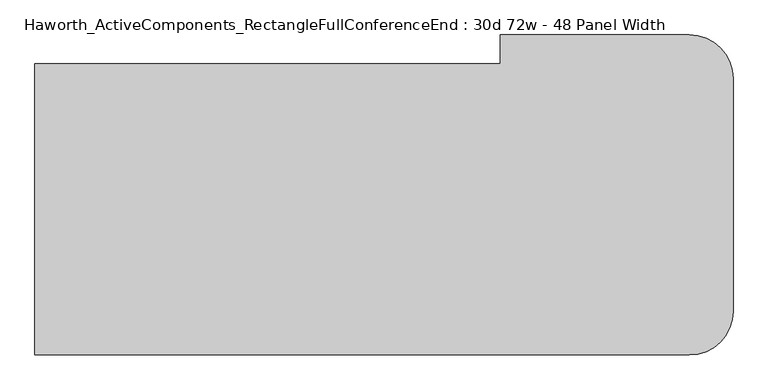
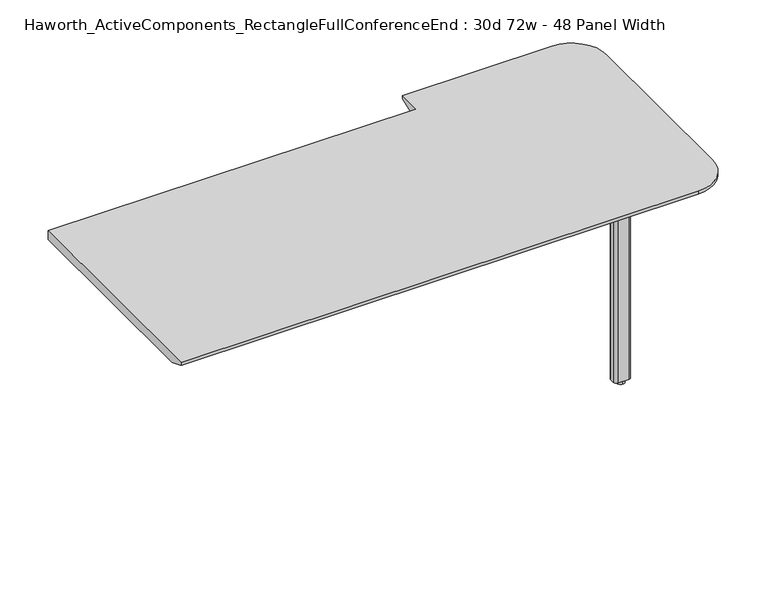
"""IFC4 building model written with IfcOpenShell, lengths in millimetres: furniture geometry, Haworth_ActiveComponents_RectangleFullConferenceEnd : 30d 72w - 48 Panel Width."""

import ifcopenshell
import ifcopenshell.guid

model = None  # the IFC model being written
_history = None  # IfcOwnerHistory: only IFC2X3 demands one
_inside = {}  # id of a spatial element -> (the spatial element, [elements in it])
_under = {}  # id of a project, library or spatial element -> (it, [spatial elements below it])
_declared = {}  # id of a project -> (the project, [libraries it declares])
_typed = {}  # id of a type object -> (the type object, [elements of that type])
_made_of = {}  # id of a material, layer set ... -> (it, [elements and type objects made of it])


def new_model(schema):
    """Start an empty IFC model of exactly this schema.

    Asked for "IFC4X3", IfcOpenShell would pick the latest addendum, in which some entities
    have other attributes; the version numbers below select the first issue.
    IFC2X3 requires an IfcOwnerHistory on every rooted entity: one is made here for all.
    """
    global model, _history
    if schema == "IFC4X3":
        model = ifcopenshell.file(schema_version=(4, 3, 0, 0))
    else:
        model = ifcopenshell.file(schema=schema)
    _inside.clear()
    _under.clear()
    _declared.clear()
    _typed.clear()
    _made_of.clear()
    _history = None
    if model.schema == "IFC2X3":
        org = make("IfcOrganization", Name="unknown")
        user = make(
            "IfcPersonAndOrganization",
            ThePerson=make("IfcPerson", FamilyName="unknown"),
            TheOrganization=org,
        )
        app = make(
            "IfcApplication",
            ApplicationDeveloper=org,
            Version="unknown",
            ApplicationFullName="unknown",
            ApplicationIdentifier="unknown",
        )
        _history = make(
            "IfcOwnerHistory",
            OwningUser=user,
            OwningApplication=app,
            ChangeAction="ADDED",
            CreationDate=0,
        )
    return model


def make(cls, **values):
    """One entity of the class cls with the attributes given. An attribute that is None is left unset."""
    return model.create_entity(
        cls, **{name: value for name, value in values.items() if value is not None}
    )


def rooted(cls, **values):
    """An entity with a GlobalId (a new one), such as an element, a storey or a relation."""
    return make(cls, GlobalId=ifcopenshell.guid.new(), OwnerHistory=_history, **values)


def si_unit(unit_type, name, prefix=None):
    """IfcSIUnit, for example si_unit("LENGTHUNIT", "METRE", prefix="MILLI")."""
    return make("IfcSIUnit", UnitType=unit_type, Prefix=prefix, Name=name)


def assignment(units):
    """IfcUnitAssignment: the units of a project."""
    return None if units is None else make("IfcUnitAssignment", Units=units)


def point(xyz):
    """IfcCartesianPoint."""
    return None if xyz is None else make("IfcCartesianPoint", Coordinates=xyz)


def direction(xyz):
    """IfcDirection."""
    return None if xyz is None else make("IfcDirection", DirectionRatios=xyz)


def frame(location, z_axis=None, x_axis=None):
    """IfcAxis2Placement3D, a coordinate frame: its origin and axes. An axis left out is left unset."""
    return make(
        "IfcAxis2Placement3D",
        Location=point(location),
        Axis=direction(z_axis),
        RefDirection=direction(x_axis),
    )


def frame_2d(location, x_axis=None):
    """IfcAxis2Placement2D, a coordinate frame in the plane: its origin and x axis."""
    return make(
        "IfcAxis2Placement2D", Location=point(location), RefDirection=direction(x_axis)
    )


def origin():
    """The frame at (0, 0, 0) with its axes left unset."""
    return frame((0.0, 0.0, 0.0))


def origin_with_axes():
    """The frame at (0, 0, 0) with the z axis (0, 0, 1) and the x axis (1, 0, 0) written out."""
    return frame((0.0, 0.0, 0.0), z_axis=(0.0, 0.0, 1.0), x_axis=(1.0, 0.0, 0.0))


def place(relative_to, where):
    """IfcLocalPlacement: puts the frame where relative to a parent placement (None: the world)."""
    return make(
        "IfcLocalPlacement", PlacementRelTo=relative_to, RelativePlacement=where
    )


def context(
    kind, dimensions, precision=None, world=None, true_north=None, identifier=None
):
    """IfcGeometricRepresentationContext, for example the 3D "Model" context."""
    return make(
        "IfcGeometricRepresentationContext",
        ContextIdentifier=identifier,
        ContextType=kind,
        CoordinateSpaceDimension=dimensions,
        Precision=precision,
        WorldCoordinateSystem=world,
        TrueNorth=true_north,
    )


def project(units=None, contexts=None):
    """IfcProject with its units and contexts."""
    return rooted(
        "IfcProject",
        Name="project",
        RepresentationContexts=contexts,
        UnitsInContext=assignment(units),
    )


def spatial(cls, under=None, at=None, **own):
    """A site, building, storey or space (cls), placed at a placement, below another one or the project."""
    s = rooted(cls, ObjectPlacement=at, **own)
    if under is not None:
        _under.setdefault(under.id(), (under, []))[1].append(s)
    return s


def polyline(points):
    """IfcPolyline through the points."""
    return make("IfcPolyline", Points=[point(p) for p in points])


def circle_curve(where, radius):
    """IfcCircle in the frame where."""
    return make("IfcCircle", Position=where, Radius=radius)


def trimmed(basis, trim1, trim2, sense, master):
    """IfcTrimmedCurve: the piece of a basis curve between two trims."""
    return make(
        "IfcTrimmedCurve",
        BasisCurve=basis,
        Trim1=trim1,
        Trim2=trim2,
        SenseAgreement=sense,
        MasterRepresentation=master,
    )


def segment(curve, same_sense, transition):
    """IfcCompositeCurveSegment."""
    return make(
        "IfcCompositeCurveSegment",
        Transition=transition,
        SameSense=same_sense,
        ParentCurve=curve,
    )


def composite_curve(segments, self_intersect=None):
    """IfcCompositeCurve: segments joined end to end."""
    return make("IfcCompositeCurve", Segments=segments, SelfIntersect=self_intersect)


def outline(outer, holes=None, kind="AREA"):
    """IfcArbitraryClosedProfileDef: a profile drawn as a closed curve; with holes, ...WithVoids."""
    if holes is None:
        return make("IfcArbitraryClosedProfileDef", ProfileType=kind, OuterCurve=outer)
    return make(
        "IfcArbitraryProfileDefWithVoids",
        ProfileType=kind,
        OuterCurve=outer,
        InnerCurves=holes,
    )


def extrude(swept, where, along, depth):
    """IfcExtrudedAreaSolid: the profile swept, set in the frame where, extruded along a direction by depth."""
    return make(
        "IfcExtrudedAreaSolid",
        SweptArea=swept,
        Position=where,
        ExtrudedDirection=direction(along),
        Depth=depth,
    )


def shape(context_of_items, identifier, shape_type, items):
    """IfcShapeRepresentation: the items that make up one representation, for example the "Body"."""
    return make(
        "IfcShapeRepresentation",
        ContextOfItems=context_of_items,
        RepresentationIdentifier=identifier,
        RepresentationType=shape_type,
        Items=items,
    )


def source(mapping_origin, context_of_items, identifier, shape_type, items):
    """IfcRepresentationMap: a shape defined once, which mapped items show again and again."""
    return make(
        "IfcRepresentationMap",
        MappingOrigin=mapping_origin,
        MappedRepresentation=shape(context_of_items, identifier, shape_type, items),
    )


def transform(
    local_origin,
    x_axis=None,
    y_axis=None,
    z_axis=None,
    scale=None,
    scale2=None,
    scale3=None,
    uniform=True,
):
    """IfcCartesianTransformationOperator3D, or its non-uniform kind. x_axis, y_axis, z_axis: its Axis1, 2, 3."""
    if uniform:
        return make(
            "IfcCartesianTransformationOperator3D",
            Axis1=direction(x_axis),
            Axis2=direction(y_axis),
            LocalOrigin=point(local_origin),
            Scale=scale,
            Axis3=direction(z_axis),
        )
    return make(
        "IfcCartesianTransformationOperator3DnonUniform",
        Axis1=direction(x_axis),
        Axis2=direction(y_axis),
        LocalOrigin=point(local_origin),
        Scale=scale,
        Axis3=direction(z_axis),
        Scale2=scale2,
        Scale3=scale3,
    )


def mapped(mapping_source, mapping_target):
    """IfcMappedItem: shows the shape of a source again, moved by a transform."""
    return make(
        "IfcMappedItem", MappingSource=mapping_source, MappingTarget=mapping_target
    )


def made_of(thing, what):
    """Note that an element or type object is made of a material, layer set ...; save() writes the relation."""
    if what is not None:
        _made_of.setdefault(what.id(), (what, []))[1].append(thing)
    return thing


def element(
    cls,
    number,
    at=None,
    inside=None,
    cuts=None,
    type_object=None,
    material=None,
    context=None,
    identifier="Body",
    shape_type=None,
    held_by="IfcProductDefinitionShape",
    body=None,
    shapes=None,
    **own,
):
    """One element of the class cls, such as IfcWall. Its Tag is "e" and its number.

    at: its placement. inside: the storey or other place that contains it. cuts: it is an
    opening in that element (IfcRelVoidsElement). A single representation is given by context,
    identifier, shape_type and body (its items); several are given by shapes. held_by: the class
    of the entity that holds the representations. save() writes the other relations.
    """
    e = rooted(cls, Tag="e%d" % number, ObjectPlacement=at, **own)
    if body is not None:
        shapes = [shape(context, identifier, shape_type, body)]
    if shapes is not None:
        e.Representation = make(held_by, Representations=shapes)
    if inside is not None:
        _inside.setdefault(inside.id(), (inside, []))[1].append(e)
    if cuts is not None:
        rooted(
            "IfcRelVoidsElement", RelatingBuildingElement=cuts, RelatedOpeningElement=e
        )
    if type_object is not None:
        _typed.setdefault(type_object.id(), (type_object, []))[1].append(e)
    return made_of(e, material)


def aggregate(whole, parts):
    """IfcRelAggregates: a whole, such as a stair, and the parts it consists of."""
    return rooted("IfcRelAggregates", RelatingObject=whole, RelatedObjects=parts)


def save(model, path):
    """Write the relations noted so far, then the file.

    IfcRelAggregates (storeys below a building ...), IfcRelContainedInSpatialStructure (elements
    in a storey), IfcRelDefinesByType, IfcRelAssociatesMaterial and IfcRelDeclares: one each for
    every whole, place, type object, material and project.
    """
    for whole, parts in _under.values():
        aggregate(whole, parts)
    for where, things in _inside.values():
        rooted(
            "IfcRelContainedInSpatialStructure",
            RelatedElements=things,
            RelatingStructure=where,
        )
    for kind, things in _typed.values():
        rooted("IfcRelDefinesByType", RelatedObjects=things, RelatingType=kind)
    for what, things in _made_of.values():
        rooted("IfcRelAssociatesMaterial", RelatedObjects=things, RelatingMaterial=what)
    for by, libraries in _declared.values():
        rooted("IfcRelDeclares", RelatingContext=by, RelatedDefinitions=libraries)
    model.write(path)


def plane_surface(at):
    """IfcPlane: the flat surface through the origin of the frame at, square to its z axis."""
    return make("IfcPlane", Position=at)


def cylinder_surface(at, radius):
    """IfcCylindricalSurface: all points at the distance radius from the z axis of the frame at."""
    return make("IfcCylindricalSurface", Position=at, Radius=radius)


def revolved_surface(curve, axis_point, axis_direction):
    """IfcSurfaceOfRevolution: the curve turned about the line through axis_point along axis_direction."""
    return make(
        "IfcSurfaceOfRevolution",
        SweptCurve=make("IfcArbitraryOpenProfileDef", ProfileType="CURVE", Curve=curve),
        AxisPosition=make("IfcAxis1Placement", Location=point(axis_point), Axis=direction(axis_direction)),
    )


def advanced_brep(points, edges, surfaces, faces):
    """IfcAdvancedBrep: a solid bounded by faces that lie on surfaces and meet in shared edges.

    An edge is (start, end): straight between two places in points (the first is 0);
    or (start, end, curve); or (start, end, curve, False) where it runs against its curve.
    A face is (place in surfaces, loops), or (place, loops, False) where it looks against
    its surface's normal. A loop lists edges by number (the first is 1), with a minus sign
    where the edge is run from its end to its start. The first loop is the outer one.
    """
    corners = [point(p) for p in points]
    vertices = [make("IfcVertexPoint", VertexGeometry=c) for c in corners]
    made = []
    for start, end, *more in edges:
        made.append(
            make(
                "IfcEdgeCurve",
                EdgeStart=vertices[start],
                EdgeEnd=vertices[end],
                EdgeGeometry=more[0] if more else make("IfcPolyline", Points=[corners[start], corners[end]]),
                SameSense=more[1] if len(more) > 1 else True,
            )
        )
    hull = []
    for where, loops, *sense in faces:
        bounds = []
        for j, loop in enumerate(loops):
            ring = [make("IfcOrientedEdge", EdgeElement=made[abs(k) - 1], Orientation=k > 0) for k in loop]
            bounds.append(
                make(
                    "IfcFaceOuterBound" if j == 0 else "IfcFaceBound",
                    Bound=make("IfcEdgeLoop", EdgeList=ring),
                    Orientation=True,
                )
            )
        hull.append(make("IfcAdvancedFace", Bounds=bounds, FaceSurface=surfaces[where], SameSense=sense[0] if sense else True))
    return make("IfcAdvancedBrep", Outer=make("IfcClosedShell", CfsFaces=hull))


def haworth_activecomponents_rectanglefullconferenceend_30d_72w_6ec091af(model_context):
    return source(origin(), model_context, "Body", "SolidModel", [
        extrude(outline(composite_curve([segment(trimmed(circle_curve(frame_2d((1037.43125, -310.8784766)), 9.525), [point((1027.90625, -310.8784766))], [point((1037.43125, -301.3534766))], False, "CARTESIAN"), True, "CONTINUOUS"), segment(polyline([(1037.43125, -301.3534766), (1170.78125, -301.3534766)]), True, "CONTINUOUS"), segment(trimmed(circle_curve(frame_2d((1170.78125, -310.8784766)), 9.525), [point((1170.78125, -301.3534766))], [point((1180.30625, -310.8784766))], False, "CARTESIAN"), True, "CONTINUOUS"), segment(polyline([(1180.30625, -310.8784766), (1180.30625, -444.2284766)]), True, "CONTINUOUS"), segment(trimmed(circle_curve(frame_2d((1170.78125, -444.2284766)), 9.525), [point((1180.30625, -444.2284766))], [point((1170.78125, -453.7534766))], False, "CARTESIAN"), True, "CONTINUOUS"), segment(polyline([(1170.78125, -453.7534766), (1037.43125, -453.7534766)]), True, "CONTINUOUS"), segment(trimmed(circle_curve(frame_2d((1037.43125, -444.2284766)), 9.525), [point((1037.43125, -453.7534766))], [point((1027.90625, -444.2284766))], False, "CARTESIAN"), True, "CONTINUOUS"), segment(polyline([(1027.90625, -444.2284766), (1027.90625, -310.8784766)]), True, "CONTINUOUS")], self_intersect=False)), frame((0.0, 0.0, 706.4375), z_axis=(0.0, 0.0, 1.0), x_axis=(1.0, 0.0, 0.0)), (0.0, 0.0, 1.0), 4.7625),
        extrude(outline(composite_curve([segment(trimmed(circle_curve(frame_2d((1104.10625, -377.5534766)), 13.6023831), [point((1104.10625, -391.1558596))], [point((1104.10625, -363.9510935))], False, "CARTESIAN"), True, "CONTINUOUS"), segment(trimmed(circle_curve(frame_2d((1104.10625, -377.5534766)), 13.6023831), [point((1104.10625, -363.9510935))], [point((1104.10625, -391.1558596))], False, "CARTESIAN"), True, "CONTINUOUS")], self_intersect=False)), origin_with_axes(), (0.0, 0.0, 1.0), 12.7),
        extrude(outline(composite_curve([segment(trimmed(circle_curve(frame_2d((1085.85, -369.6159766)), 9.525), [point((1076.325, -369.6159766))], [point((1085.85, -360.0909766))], False, "CARTESIAN"), True, "CONTINUOUS"), segment(polyline([(1085.85, -360.0909766), (1122.3625, -360.0909766)]), True, "CONTINUOUS"), segment(trimmed(circle_curve(frame_2d((1122.3625, -369.6159766)), 9.525), [point((1122.3625, -360.0909766))], [point((1131.8875, -369.6159766))], False, "CARTESIAN"), True, "CONTINUOUS"), segment(polyline([(1131.8875, -369.6159766), (1131.8875, -385.4909766)]), True, "CONTINUOUS"), segment(trimmed(circle_curve(frame_2d((1122.3625, -385.4909766)), 9.525), [point((1131.8875, -385.4909766))], [point((1122.3625, -395.0159766))], False, "CARTESIAN"), True, "CONTINUOUS"), segment(polyline([(1122.3625, -395.0159766), (1085.85, -395.0159766)]), True, "CONTINUOUS"), segment(trimmed(circle_curve(frame_2d((1085.85, -385.4909766)), 9.525), [point((1085.85, -395.0159766))], [point((1076.325, -385.4909766))], False, "CARTESIAN"), True, "CONTINUOUS"), segment(polyline([(1076.325, -385.4909766), (1076.325, -369.6159766)]), True, "CONTINUOUS")], self_intersect=False)), frame((0.0, 0.0, 12.7), z_axis=(0.0, 0.0, 1.0), x_axis=(1.0, 0.0, 0.0)), (0.0, 0.0, 1.0), 693.7375),
        advanced_brep(
        [(749.3, 181.2465234, 741.3625), (-469.9, 181.2465234, 741.3625), (-469.9, -580.7534766, 741.3625), (1244.6, -580.7534766, 741.3625), (1358.9, -466.4534766, 741.3625), (1358.9, 143.1465234, 741.3625), (1244.6, 257.4465234, 741.3625), (749.3, 257.4465234, 741.3625), (-469.9, 181.2465234, 711.2), (749.3, 181.2465234, 711.2), (749.3, 206.6465234, 711.2), (1244.6, 206.6465234, 711.2), (1308.1, 143.1465234, 711.2), (1308.1, -466.4534766, 711.2), (1244.6, -529.9534766, 711.2), (-469.9, -529.9534766, 711.2), (-469.9, -580.7534766, 731.8375), (1244.6, -580.7534766, 731.8375), (1358.9, -466.4534766, 731.8375), (1358.9, 143.1465234, 731.8375), (1244.6, 257.4465234, 731.8375), (749.3, 257.4465234, 731.8375)],
        [
            (0, 1),
            (1, 2),
            (2, 3),
            (3, 4, circle_curve(frame((1244.6, -466.4534766, 741.3625), z_axis=(0.0, 0.0, 1.0), x_axis=(1.0, 0.0, 0.0)), 114.3)),
            (4, 5),
            (5, 6, circle_curve(frame((1244.6, 143.1465234, 741.3625), z_axis=(0.0, 0.0, 1.0), x_axis=(1.0, 0.0, 0.0)), 114.3)),
            (6, 7),
            (7, 0),
            (8, 9),
            (9, 10),
            (10, 11),
            (11, 12, circle_curve(frame((1244.6, 143.1465234, 711.2), z_axis=(0.0, 0.0, -1.0), x_axis=(1.0, 0.0, 0.0)), 63.5)),
            (12, 13),
            (13, 14, circle_curve(frame((1244.6, -466.4534766, 711.2), z_axis=(0.0, 0.0, -1.0), x_axis=(0.0, -1.0, 0.0)), 63.5)),
            (14, 15),
            (15, 8),
            (0, 9),
            (8, 1),
            (15, 16),
            (16, 2),
            (16, 17),
            (17, 3),
            (4, 18),
            (18, 19),
            (19, 5),
            (17, 18, circle_curve(frame((1244.6, -466.4534766, 731.8375), z_axis=(0.0, 0.0, 1.0), x_axis=(1.0, 0.0, 0.0)), 114.3)),
            (6, 20),
            (20, 21),
            (21, 7),
            (21, 10),
            (14, 17),
            (13, 18),
            (12, 19),
            (11, 20),
            (20, 19, circle_curve(frame((1244.6, 143.1465234, 731.8375), z_axis=(0.0, 0.0, -1.0), x_axis=(1.0, 0.0, 0.0)), 114.3)),
        ],
        [
            plane_surface(frame((-469.9, 181.2465234, 741.3625), z_axis=(0.0, 0.0, 1.0), x_axis=(-1.0, 0.0, 0.0))),
            plane_surface(frame((-469.9, 181.2465234, 711.2), z_axis=(0.0, 0.0, -1.0), x_axis=(1.0, 0.0, 0.0))),
            plane_surface(frame((749.3, 181.2465234, 741.3625), z_axis=(0.0, 1.0, 0.0), x_axis=(0.0, 0.0, -1.0))),
            plane_surface(frame((-469.9, 181.2465234, 741.3625), z_axis=(-1.0, 0.0, 0.0), x_axis=(0.0, 0.0, -1.0))),
            plane_surface(frame((-469.9, -580.7534766, 741.3625), z_axis=(0.0, -1.0, 0.0), x_axis=(0.0, 0.0, -1.0))),
            plane_surface(frame((1358.9, -466.4534766, 741.3625), z_axis=(1.0, 0.0, 0.0), x_axis=(0.0, 0.0, -1.0))),
            cylinder_surface(frame((1244.6, -466.4534766, 711.2), z_axis=(0.0, 0.0, 1.0), x_axis=(1.0, 0.0, 0.0)), 114.3),
            plane_surface(frame((1244.6, 257.4465234, 741.3625), z_axis=(0.0, 1.0, 0.0), x_axis=(0.0, 0.0, -1.0))),
            plane_surface(frame((749.3, 257.4465234, 741.3625), z_axis=(-1.0, 0.0, 0.0), x_axis=(0.0, 0.0, -1.0))),
            plane_surface(frame((-469.9, -580.7534766, 731.8375), z_axis=(0.0, -0.3763770469576607, -0.9264665771216094), x_axis=(1.0, 0.0, 0.0))),
            revolved_surface(polyline([(1244.6, -529.9534766, 711.2), (1244.6, -580.7534766, 731.8375)]), (1244.6, -466.4534766, 0.0), (0.0, 0.0, 1.0)),
            plane_surface(frame((1358.9, -466.4534766, 731.8375), z_axis=(0.3763770469576607, 0.0, -0.9264665771216094), x_axis=(0.0, 1.0, 0.0))),
            revolved_surface(polyline([(1308.1, 143.1465234, 711.2), (1358.9, 143.1465234, 731.8375)]), (1244.6, 143.1465234, 0.0), (0.0, 0.0, 1.0)),
            plane_surface(frame((1244.6, 257.4465234, 731.8375), z_axis=(0.0, 0.3763770469576607, -0.9264665771216094), x_axis=(-1.0, 0.0, 0.0))),
            cylinder_surface(frame((1244.6, 143.1465234, 711.2), z_axis=(0.0, 0.0, 1.0), x_axis=(1.0, 0.0, 0.0)), 114.3),
        ],
        [
            (0, [[1, 2, 3, 4, 5, 6, 7, 8]]),
            (1, [[9, 10, 11, 12, 13, 14, 15, 16]]),
            (2, [[-1, 17, -9, 18]]),
            (3, [[-2, -18, -16, 19, 20]]),
            (4, [[-3, -20, 21, 22]]),
            (5, [[-5, 23, 24, 25]]),
            (6, [[-4, -22, 26, -23]]),
            (7, [[-7, 27, 28, 29]]),
            (8, [[-8, -29, 30, -10, -17]]),
            (9, [[31, -21, -19, -15]]),
            (10, [[-31, -14, 32, -26]]),
            (11, [[-32, -13, 33, -24]]),
            (12, [[-33, -12, 34, 35]]),
            (13, [[-34, -11, -30, -28]]),
            (14, [[-6, -25, -35, -27]]),
        ],
    ),
    ])


if __name__ == "__main__":
    model = new_model("IFC4")
    model_context = context("Model", 3, world=origin())
    ifc_project = project(units=[si_unit("LENGTHUNIT", "METRE", prefix="MILLI")], contexts=[model_context])
    site = spatial("IfcSite", under=ifc_project)
    building = spatial("IfcBuilding", under=site)
    placement = place(None, origin())
    haworth_activecomponents_rectanglefullconferenceend_30d_72w_shape = haworth_activecomponents_rectanglefullconferenceend_30d_72w_6ec091af(model_context)
    element("IfcFurniture", 1, ObjectType="Haworth_ActiveComponents_RectangleFullConferenceEnd : 30d 72w - 48 Panel Width", at=placement, inside=building, context=model_context, shape_type="MappedRepresentation", body=[
        mapped(haworth_activecomponents_rectanglefullconferenceend_30d_72w_shape, transform((0.0, 0.0, 0.0), x_axis=(1.0, 0.0, 0.0), y_axis=(0.0, 1.0, 0.0), z_axis=(0.0, 0.0, 1.0))),
    ])
    save(model, "model.ifc")
